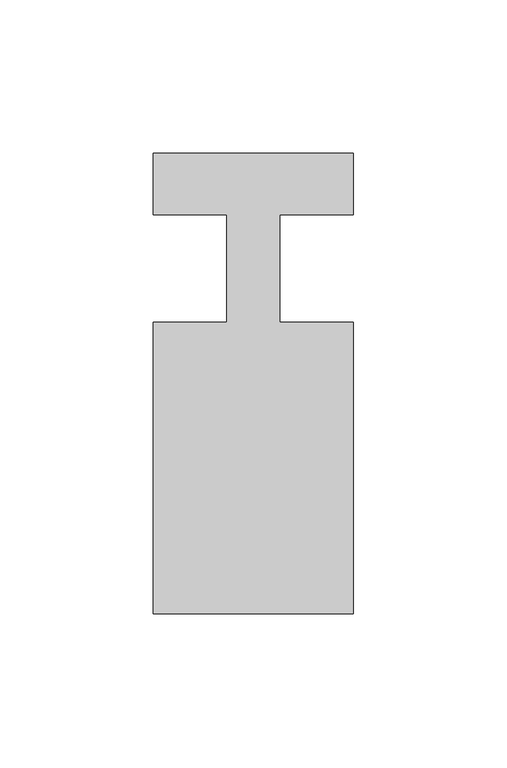
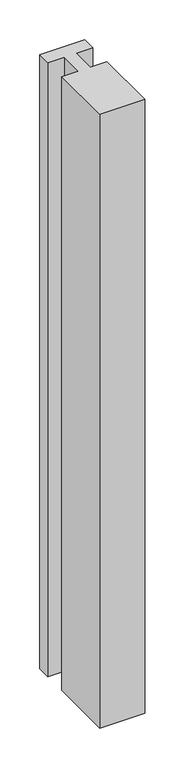
"""IFC4 building model written with IfcOpenShell, lengths in millimetres: member geometry."""

from ifc_helpers import new_model, si_unit, frame, origin, place, context, project, spatial, polyline, outline, extrude, source, transform, mapped, element, save


def member_b1ace1d4(model_context):
    return source(origin(), model_context, "Body", "SweptSolid", [
        extrude(outline(polyline([(-65.0, 37.0), (0.0, 37.0), (0.0, 17.0), (-23.8125, 17.0), (-23.8125, -18.0), (0.0, -18.0), (0.0, -113.0), (-65.0, -113.0), (-65.0, -18.0), (-41.1875, -18.0), (-41.1875, 17.0), (-65.0, 17.0), (-65.0, 37.0)])), frame((0.0, 0.0, -939.1666667), z_axis=(0.0, 0.0, 1.0), x_axis=(1.0, 0.0, 0.0)), (0.0, 0.0, 1.0), 939.1666667),
    ])


if __name__ == "__main__":
    model = new_model("IFC4")
    model_context = context("Model", 3, world=origin())
    ifc_project = project(units=[si_unit("LENGTHUNIT", "METRE", prefix="MILLI")], contexts=[model_context])
    site = spatial("IfcSite", under=ifc_project)
    building = spatial("IfcBuilding", under=site)
    placement = place(None, origin())
    member_shape = member_b1ace1d4(model_context)
    element("IfcMember", 1, at=placement, inside=building, context=model_context, shape_type="MappedRepresentation", body=[
        mapped(member_shape, transform((0.0, 0.0, 0.0), x_axis=(1.0, 0.0, 0.0), y_axis=(0.0, 1.0, 0.0), z_axis=(0.0, 0.0, 1.0))),
    ])
    save(model, "model.ifc")
